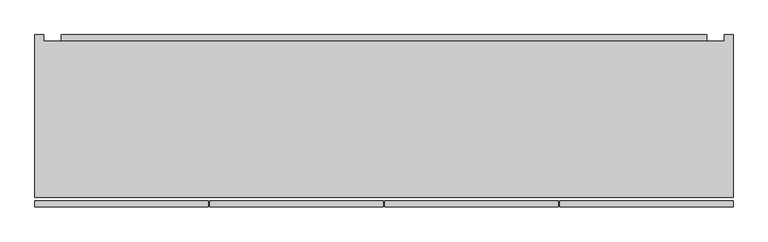
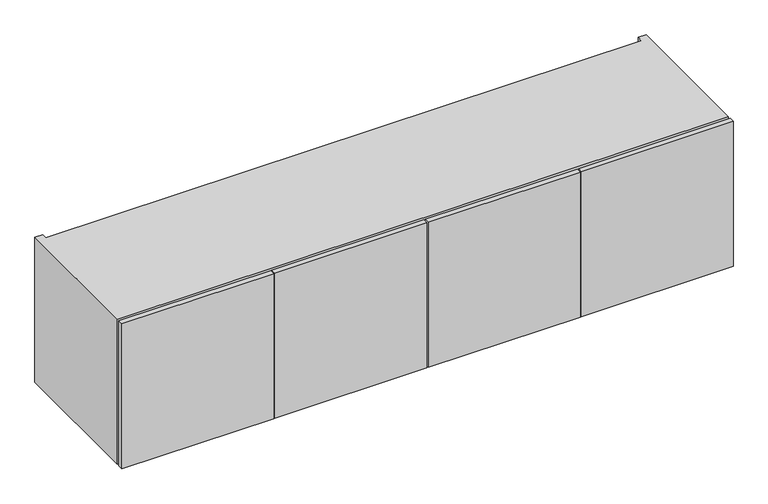
"""IFC4 building model written with IfcOpenShell, lengths in millimetres: furniture geometry."""

from ifc_helpers import new_model, si_unit, frame, origin, place, context, project, spatial, polyline, outline, extrude, faceted_brep, source, transform, mapped, element, save


def furniture_9eae0de2(model_context):
    return source(origin(), model_context, "Body", "SolidModel", [
        extrude(outline(polyline([(158.8226276, 660.146), (145.5282676, 680.82414), (145.5282676, 742.696), (158.8226276, 742.696), (158.8226276, 660.146)])), frame((-399.796, 0.0, 0.0), z_axis=(1.0, 0.0, 0.0), x_axis=(0.0, 1.0, 0.0)), (0.0, 0.0, 1.0), 1404.112),
        extrude(outline(polyline([(145.5282676, 671.83), (158.8226276, 651.15186), (158.8226276, 589.28), (145.5282676, 589.28), (145.5282676, 671.83)])), frame((-399.796, 0.0, 0.0), z_axis=(1.0, 0.0, 0.0), x_axis=(0.0, 1.0, 0.0)), (0.0, 0.0, 1.0), 1404.112),
        extrude(outline(polyline([(681.6725, -215.8273724), (303.8475, -215.8273724), (303.8475, -203.1273724), (681.6725, -203.1273724), (681.6725, -215.8273724)])), frame((0.0, 0.0, 381.0), z_axis=(0.0, 0.0, 1.0), x_axis=(1.0, 0.0, 0.0)), (0.0, 0.0, 1.0), 381.0),
        extrude(outline(polyline([(300.6725, -215.8273724), (-77.1525, -215.8273724), (-77.1525, -203.1273724), (300.6725, -203.1273724), (300.6725, -215.8273724)])), frame((0.0, 0.0, 381.0), z_axis=(0.0, 0.0, 1.0), x_axis=(1.0, 0.0, 0.0)), (0.0, 0.0, 1.0), 381.0),
        extrude(outline(polyline([(-80.3275, -215.8273724), (-457.2, -215.8273724), (-457.2, -203.1273724), (-80.3275, -203.1273724), (-80.3275, -215.8273724)])), frame((0.0, 0.0, 381.0), z_axis=(0.0, 0.0, 1.0), x_axis=(1.0, 0.0, 0.0)), (0.0, 0.0, 1.0), 381.0),
        extrude(outline(polyline([(1061.72, -215.8273724), (684.8475, -215.8273724), (684.8475, -203.1273724), (1061.72, -203.1273724), (1061.72, -215.8273724)])), frame((0.0, 0.0, 381.0), z_axis=(0.0, 0.0, 1.0), x_axis=(1.0, 0.0, 0.0)), (0.0, 0.0, 1.0), 381.0),
        extrude(outline(polyline([(1042.416, 145.5282676), (1042.416, 126.2242676), (-437.896, 126.2242676), (-437.896, 145.5282676), (1042.416, 145.5282676)])), frame((0.0, 0.0, 400.304), z_axis=(0.0, 0.0, 1.0), x_axis=(1.0, 0.0, 0.0)), (0.0, 0.0, 1.0), 342.392),
        faceted_brep([(-457.2, -195.5073724, 762.0), (-457.2, -195.5073724, 381.0), (1061.72, -195.5073724, 381.0), (1061.72, -195.5073724, 762.0), (-437.896, -195.5073724, 742.696), (1042.416, -195.5073724, 742.696), (1042.416, -195.5073724, 400.304), (-437.896, -195.5073724, 400.304), (1042.416, 145.5282676, 742.696), (-437.896, 145.5282676, 742.696), (-437.896, 145.5282676, 762.0), (1042.416, 145.5282676, 762.0), (1042.416, 145.5282676, 381.0), (-437.896, 145.5282676, 381.0), (-437.896, 145.5282676, 400.304), (1042.416, 145.5282676, 400.304), (1061.72, 158.8226276, 762.0), (1042.416, 158.8226276, 762.0), (-437.896, 158.8226276, 762.0), (-457.2, 158.8226276, 762.0), (-457.2, 158.8226276, 381.0), (-437.896, 158.8226276, 381.0), (1042.416, 158.8226276, 381.0), (1061.72, 158.8226276, 381.0)], [[[0, 1, 2, 3], [4, 5, 6, 7]], [[8, 9, 10, 11]], [[12, 13, 14, 15]], [[0, 3, 16, 17, 11, 10, 18, 19]], [[5, 4, 9, 8]], [[7, 6, 15, 14]], [[2, 1, 20, 21, 13, 12, 22, 23]], [[19, 18, 21, 20]], [[0, 19, 20, 1]], [[21, 18, 10, 9, 4, 7, 14, 13]], [[17, 22, 12, 15, 6, 5, 8, 11]], [[16, 3, 2, 23]], [[17, 16, 23, 22]]]),
    ])


if __name__ == "__main__":
    model = new_model("IFC4")
    model_context = context("Model", 3, world=origin())
    ifc_project = project(units=[si_unit("LENGTHUNIT", "METRE", prefix="MILLI")], contexts=[model_context])
    site = spatial("IfcSite", under=ifc_project)
    building = spatial("IfcBuilding", under=site)
    placement = place(None, origin())
    furniture_shape = furniture_9eae0de2(model_context)
    element("IfcFurniture", 1, at=placement, inside=building, context=model_context, shape_type="MappedRepresentation", body=[
        mapped(furniture_shape, transform((0.0, 0.0, 0.0), x_axis=(1.0, 0.0, 0.0), y_axis=(0.0, 1.0, 0.0), z_axis=(0.0, 0.0, 1.0))),
    ])
    save(model, "model.ifc")
